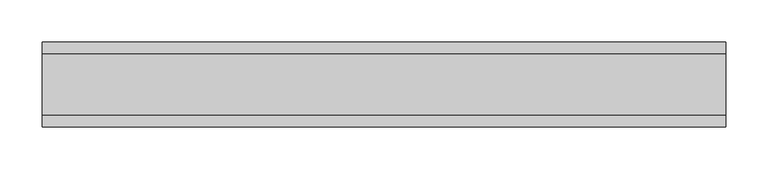
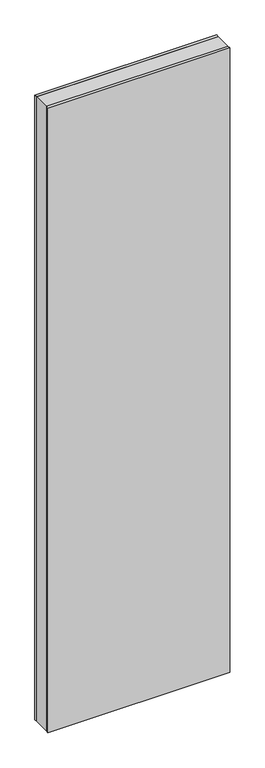
"""IFC4 building model written with IfcOpenShell, lengths in millimetres: plate geometry."""

from ifc_helpers import new_model, si_unit, origin, origin_with_axes, place, context, project, spatial, polyline, outline, extrude, source, transform, mapped, element, save


def plate_aff1ef20(model_context):
    return source(origin(), model_context, "Body", "SweptSolid", [
        extrude(outline(polyline([(402.2777546, 36.0), (402.2777546, -36.0), (-402.2777546, -36.0), (-402.2777546, 36.0), (402.2777546, 36.0)])), origin_with_axes(), (0.0, 0.0, 1.0), 2925.7),
        extrude(outline(polyline([(402.2777546, 50.0), (402.2777546, 36.0), (-402.2777546, 36.0), (-402.2777546, 50.0), (402.2777546, 50.0)])), origin_with_axes(), (0.0, 0.0, 1.0), 2925.7),
        extrude(outline(polyline([(402.2777546, -36.0), (402.2777546, -50.0), (-402.2777546, -50.0), (-402.2777546, -36.0), (402.2777546, -36.0)])), origin_with_axes(), (0.0, 0.0, 1.0), 2925.7),
    ])


if __name__ == "__main__":
    model = new_model("IFC4")
    model_context = context("Model", 3, world=origin())
    ifc_project = project(units=[si_unit("LENGTHUNIT", "METRE", prefix="MILLI")], contexts=[model_context])
    site = spatial("IfcSite", under=ifc_project)
    building = spatial("IfcBuilding", under=site)
    placement = place(None, origin())
    plate_shape = plate_aff1ef20(model_context)
    element("IfcPlate", 1, at=placement, inside=building, context=model_context, shape_type="MappedRepresentation", body=[
        mapped(plate_shape, transform((0.0, 0.0, 0.0), x_axis=(1.0, 0.0, 0.0), y_axis=(0.0, 1.0, 0.0), z_axis=(0.0, 0.0, 1.0))),
    ])
    save(model, "model.ifc")
